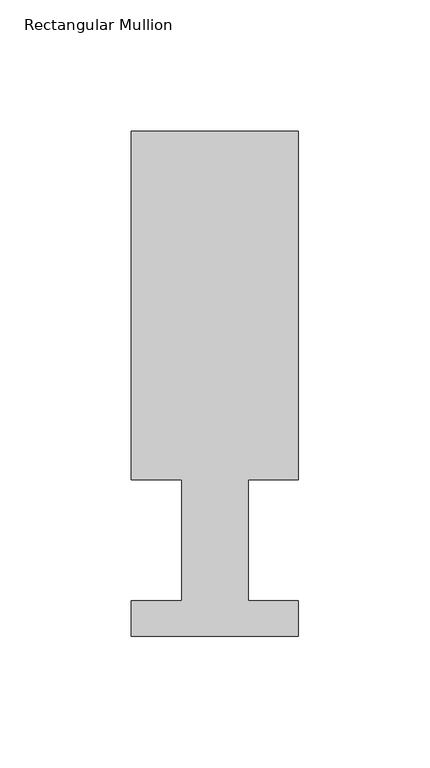
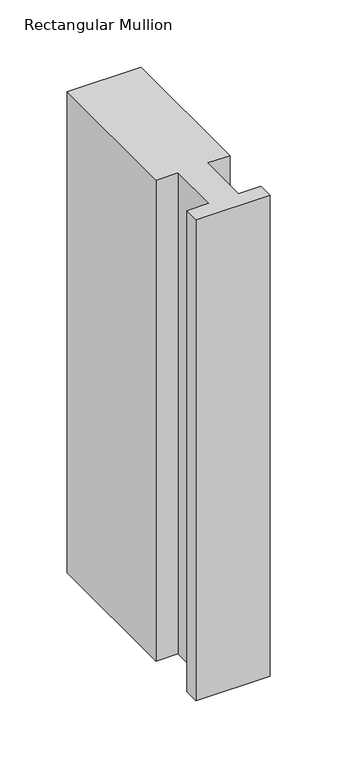
"""IFC4 building model written with IfcOpenShell, lengths in millimetres: member geometry, Rectangular Mullion."""

from ifc_helpers import new_model, si_unit, frame, origin, place, context, project, spatial, polyline, outline, extrude, source, transform, mapped, element, save


def rectangular_mullion_722f2db7(model_context):
    return source(origin(), model_context, "Body", "SweptSolid", [
        extrude(outline(polyline([(-63.5, 192.09385), (0.0, 192.09385), (0.0, 59.53125), (-19.0373, 59.53125), (-19.0373, 13.50645), (0.0, 13.50645), (0.0, 0.04445), (-63.5, 0.04445), (-63.5, 13.50645), (-44.45, 13.50645), (-44.45, 59.53125), (-63.5, 59.53125), (-63.5, 192.09385)])), frame((0.0, 0.0, -437.0916667), z_axis=(0.0, 0.0, 1.0), x_axis=(1.0, 0.0, 0.0)), (0.0, 0.0, 1.0), 437.0916667),
    ])


if __name__ == "__main__":
    model = new_model("IFC4")
    model_context = context("Model", 3, world=origin())
    ifc_project = project(units=[si_unit("LENGTHUNIT", "METRE", prefix="MILLI")], contexts=[model_context])
    site = spatial("IfcSite", under=ifc_project)
    building = spatial("IfcBuilding", under=site)
    placement = place(None, origin())
    rectangular_mullion_shape = rectangular_mullion_722f2db7(model_context)
    element("IfcMember", 1, ObjectType="Rectangular Mullion", at=placement, inside=building, context=model_context, shape_type="MappedRepresentation", body=[
        mapped(rectangular_mullion_shape, transform((0.0, 0.0, 0.0), x_axis=(1.0, 0.0, 0.0), y_axis=(0.0, 1.0, 0.0), z_axis=(0.0, 0.0, 1.0))),
    ])
    save(model, "model.ifc")
